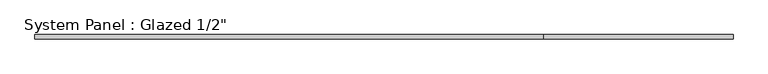
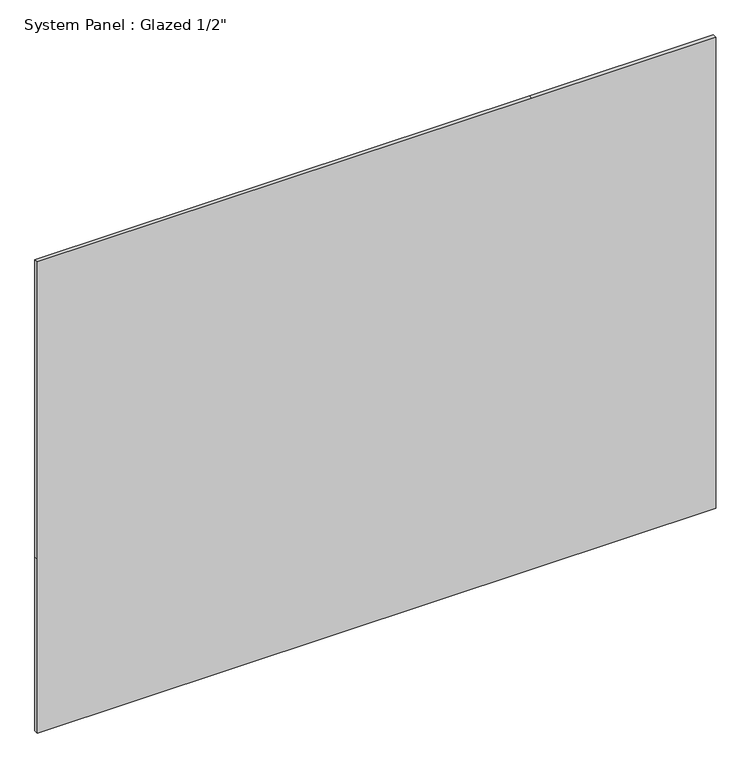
"""IFC4 building model written with IfcOpenShell, lengths in millimetres: plate geometry."""

from ifc_helpers import new_model, si_unit, frame, origin, place, context, project, spatial, polyline, outline, extrude, source, transform, mapped, element, save


def plate_8e726795(model_context):
    return source(origin(), model_context, "Body", "SweptSolid", [
        extrude(outline(polyline([(0.0, -1042.5473053), (0.0, 477.3973053), (0.0, 1042.5473053), (565.15, 1042.5473053), (1530.35, 1042.5473053), (1530.35, 477.3973053), (1530.35, -1042.5473053), (565.15, -1042.5473053), (0.0, -1042.5473053)])), frame((0.0, -6.35, 0.0), z_axis=(0.0, 1.0, 0.0), x_axis=(0.0, 0.0, 1.0)), (0.0, 0.0, 1.0), 12.7),
    ])


if __name__ == "__main__":
    model = new_model("IFC4")
    model_context = context("Model", 3, world=origin())
    ifc_project = project(units=[si_unit("LENGTHUNIT", "METRE", prefix="MILLI")], contexts=[model_context])
    site = spatial("IfcSite", under=ifc_project)
    building = spatial("IfcBuilding", under=site)
    placement = place(None, origin())
    plate_shape = plate_8e726795(model_context)
    element("IfcPlate", 1, ObjectType="System Panel : Glazed 1/2\"", at=placement, inside=building, context=model_context, shape_type="MappedRepresentation", body=[
        mapped(plate_shape, transform((0.0, 0.0, 0.0), x_axis=(1.0, 0.0, 0.0), y_axis=(0.0, 1.0, 0.0), z_axis=(0.0, 0.0, 1.0))),
    ])
    save(model, "model.ifc")
